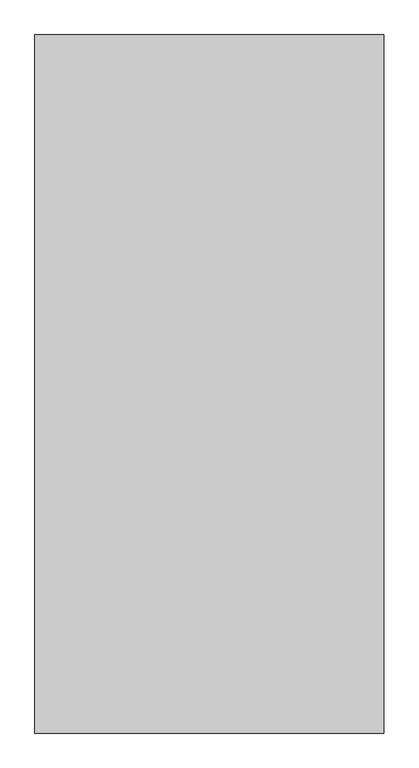
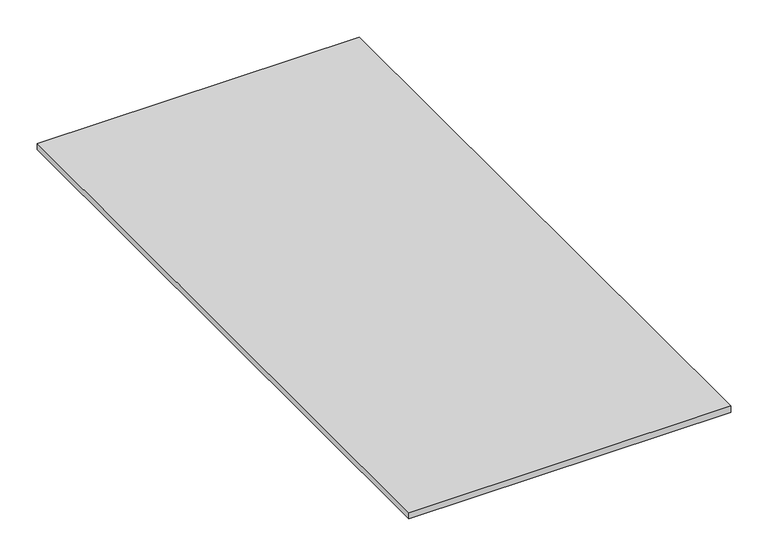
"""IFC4 building model written with IfcOpenShell, lengths in millimetres: proxy geometry."""

from ifc_helpers import new_model, si_unit, origin, origin_with_axes, place, context, project, spatial, polyline, outline, extrude, source, transform, mapped, element, save


def generic_models_a25efefb(model_context):
    return source(origin(), model_context, "Body", "SweptSolid", [
        extrude(outline(polyline([(-16829.2833082, 5247.1625159), (-16829.2833082, 4247.1625159), (-17329.2833082, 4247.1625159), (-17329.2833082, 5247.1625159), (-16829.2833082, 5247.1625159)])), origin_with_axes(), (0.0, 0.0, 1.0), 10.0),
    ])


if __name__ == "__main__":
    model = new_model("IFC4")
    model_context = context("Model", 3, world=origin())
    ifc_project = project(units=[si_unit("LENGTHUNIT", "METRE", prefix="MILLI")], contexts=[model_context])
    site = spatial("IfcSite", under=ifc_project)
    building = spatial("IfcBuilding", under=site)
    placement = place(None, origin())
    generic_models_shape = generic_models_a25efefb(model_context)
    element("IfcBuildingElementProxy", 1, Name="Generic Models", at=placement, inside=building, context=model_context, shape_type="MappedRepresentation", body=[
        mapped(generic_models_shape, transform((0.0, 0.0, 0.0), x_axis=(1.0, 0.0, 0.0), y_axis=(0.0, 1.0, 0.0), z_axis=(0.0, 0.0, 1.0))),
    ])
    save(model, "model.ifc")
